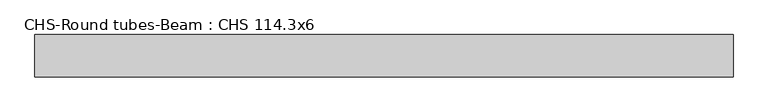
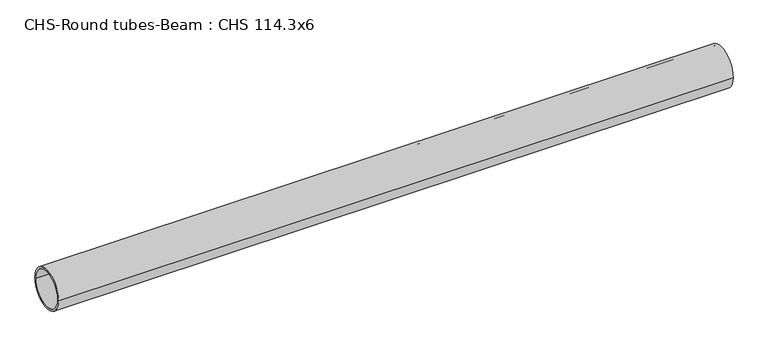
"""IFC4 building model written with IfcOpenShell, lengths in millimetres: beam geometry, CHS-Round tubes-Beam : CHS 114.3x6."""

import ifcopenshell
import ifcopenshell.guid

model = None  # the IFC model being written
_history = None  # IfcOwnerHistory: only IFC2X3 demands one
_inside = {}  # id of a spatial element -> (the spatial element, [elements in it])
_under = {}  # id of a project, library or spatial element -> (it, [spatial elements below it])
_declared = {}  # id of a project -> (the project, [libraries it declares])
_typed = {}  # id of a type object -> (the type object, [elements of that type])
_made_of = {}  # id of a material, layer set ... -> (it, [elements and type objects made of it])


def new_model(schema):
    """Start an empty IFC model of exactly this schema.

    Asked for "IFC4X3", IfcOpenShell would pick the latest addendum, in which some entities
    have other attributes; the version numbers below select the first issue.
    IFC2X3 requires an IfcOwnerHistory on every rooted entity: one is made here for all.
    """
    global model, _history
    if schema == "IFC4X3":
        model = ifcopenshell.file(schema_version=(4, 3, 0, 0))
    else:
        model = ifcopenshell.file(schema=schema)
    _inside.clear()
    _under.clear()
    _declared.clear()
    _typed.clear()
    _made_of.clear()
    _history = None
    if model.schema == "IFC2X3":
        org = make("IfcOrganization", Name="unknown")
        user = make(
            "IfcPersonAndOrganization",
            ThePerson=make("IfcPerson", FamilyName="unknown"),
            TheOrganization=org,
        )
        app = make(
            "IfcApplication",
            ApplicationDeveloper=org,
            Version="unknown",
            ApplicationFullName="unknown",
            ApplicationIdentifier="unknown",
        )
        _history = make(
            "IfcOwnerHistory",
            OwningUser=user,
            OwningApplication=app,
            ChangeAction="ADDED",
            CreationDate=0,
        )
    return model


def make(cls, **values):
    """One entity of the class cls with the attributes given. An attribute that is None is left unset."""
    return model.create_entity(
        cls, **{name: value for name, value in values.items() if value is not None}
    )


def rooted(cls, **values):
    """An entity with a GlobalId (a new one), such as an element, a storey or a relation."""
    return make(cls, GlobalId=ifcopenshell.guid.new(), OwnerHistory=_history, **values)


def si_unit(unit_type, name, prefix=None):
    """IfcSIUnit, for example si_unit("LENGTHUNIT", "METRE", prefix="MILLI")."""
    return make("IfcSIUnit", UnitType=unit_type, Prefix=prefix, Name=name)


def assignment(units):
    """IfcUnitAssignment: the units of a project."""
    return None if units is None else make("IfcUnitAssignment", Units=units)


def point(xyz):
    """IfcCartesianPoint."""
    return None if xyz is None else make("IfcCartesianPoint", Coordinates=xyz)


def direction(xyz):
    """IfcDirection."""
    return None if xyz is None else make("IfcDirection", DirectionRatios=xyz)


def frame(location, z_axis=None, x_axis=None):
    """IfcAxis2Placement3D, a coordinate frame: its origin and axes. An axis left out is left unset."""
    return make(
        "IfcAxis2Placement3D",
        Location=point(location),
        Axis=direction(z_axis),
        RefDirection=direction(x_axis),
    )


def frame_2d(location, x_axis=None):
    """IfcAxis2Placement2D, a coordinate frame in the plane: its origin and x axis."""
    return make(
        "IfcAxis2Placement2D", Location=point(location), RefDirection=direction(x_axis)
    )


def origin():
    """The frame at (0, 0, 0) with its axes left unset."""
    return frame((0.0, 0.0, 0.0))


def origin_2d():
    """The frame at (0, 0) in the plane with its x axis left unset."""
    return frame_2d((0.0, 0.0))


def place(relative_to, where):
    """IfcLocalPlacement: puts the frame where relative to a parent placement (None: the world)."""
    return make(
        "IfcLocalPlacement", PlacementRelTo=relative_to, RelativePlacement=where
    )


def context(
    kind, dimensions, precision=None, world=None, true_north=None, identifier=None
):
    """IfcGeometricRepresentationContext, for example the 3D "Model" context."""
    return make(
        "IfcGeometricRepresentationContext",
        ContextIdentifier=identifier,
        ContextType=kind,
        CoordinateSpaceDimension=dimensions,
        Precision=precision,
        WorldCoordinateSystem=world,
        TrueNorth=true_north,
    )


def project(units=None, contexts=None):
    """IfcProject with its units and contexts."""
    return rooted(
        "IfcProject",
        Name="project",
        RepresentationContexts=contexts,
        UnitsInContext=assignment(units),
    )


def spatial(cls, under=None, at=None, **own):
    """A site, building, storey or space (cls), placed at a placement, below another one or the project."""
    s = rooted(cls, ObjectPlacement=at, **own)
    if under is not None:
        _under.setdefault(under.id(), (under, []))[1].append(s)
    return s


def circle_curve(where, radius):
    """IfcCircle in the frame where."""
    return make("IfcCircle", Position=where, Radius=radius)


def trimmed(basis, trim1, trim2, sense, master):
    """IfcTrimmedCurve: the piece of a basis curve between two trims."""
    return make(
        "IfcTrimmedCurve",
        BasisCurve=basis,
        Trim1=trim1,
        Trim2=trim2,
        SenseAgreement=sense,
        MasterRepresentation=master,
    )


def segment(curve, same_sense, transition):
    """IfcCompositeCurveSegment."""
    return make(
        "IfcCompositeCurveSegment",
        Transition=transition,
        SameSense=same_sense,
        ParentCurve=curve,
    )


def composite_curve(segments, self_intersect=None):
    """IfcCompositeCurve: segments joined end to end."""
    return make("IfcCompositeCurve", Segments=segments, SelfIntersect=self_intersect)


def outline(outer, holes=None, kind="AREA"):
    """IfcArbitraryClosedProfileDef: a profile drawn as a closed curve; with holes, ...WithVoids."""
    if holes is None:
        return make("IfcArbitraryClosedProfileDef", ProfileType=kind, OuterCurve=outer)
    return make(
        "IfcArbitraryProfileDefWithVoids",
        ProfileType=kind,
        OuterCurve=outer,
        InnerCurves=holes,
    )


def extrude(swept, where, along, depth):
    """IfcExtrudedAreaSolid: the profile swept, set in the frame where, extruded along a direction by depth."""
    return make(
        "IfcExtrudedAreaSolid",
        SweptArea=swept,
        Position=where,
        ExtrudedDirection=direction(along),
        Depth=depth,
    )


def shape(context_of_items, identifier, shape_type, items):
    """IfcShapeRepresentation: the items that make up one representation, for example the "Body"."""
    return make(
        "IfcShapeRepresentation",
        ContextOfItems=context_of_items,
        RepresentationIdentifier=identifier,
        RepresentationType=shape_type,
        Items=items,
    )


def source(mapping_origin, context_of_items, identifier, shape_type, items):
    """IfcRepresentationMap: a shape defined once, which mapped items show again and again."""
    return make(
        "IfcRepresentationMap",
        MappingOrigin=mapping_origin,
        MappedRepresentation=shape(context_of_items, identifier, shape_type, items),
    )


def transform(
    local_origin,
    x_axis=None,
    y_axis=None,
    z_axis=None,
    scale=None,
    scale2=None,
    scale3=None,
    uniform=True,
):
    """IfcCartesianTransformationOperator3D, or its non-uniform kind. x_axis, y_axis, z_axis: its Axis1, 2, 3."""
    if uniform:
        return make(
            "IfcCartesianTransformationOperator3D",
            Axis1=direction(x_axis),
            Axis2=direction(y_axis),
            LocalOrigin=point(local_origin),
            Scale=scale,
            Axis3=direction(z_axis),
        )
    return make(
        "IfcCartesianTransformationOperator3DnonUniform",
        Axis1=direction(x_axis),
        Axis2=direction(y_axis),
        LocalOrigin=point(local_origin),
        Scale=scale,
        Axis3=direction(z_axis),
        Scale2=scale2,
        Scale3=scale3,
    )


def mapped(mapping_source, mapping_target):
    """IfcMappedItem: shows the shape of a source again, moved by a transform."""
    return make(
        "IfcMappedItem", MappingSource=mapping_source, MappingTarget=mapping_target
    )


def made_of(thing, what):
    """Note that an element or type object is made of a material, layer set ...; save() writes the relation."""
    if what is not None:
        _made_of.setdefault(what.id(), (what, []))[1].append(thing)
    return thing


def element(
    cls,
    number,
    at=None,
    inside=None,
    cuts=None,
    type_object=None,
    material=None,
    context=None,
    identifier="Body",
    shape_type=None,
    held_by="IfcProductDefinitionShape",
    body=None,
    shapes=None,
    **own,
):
    """One element of the class cls, such as IfcWall. Its Tag is "e" and its number.

    at: its placement. inside: the storey or other place that contains it. cuts: it is an
    opening in that element (IfcRelVoidsElement). A single representation is given by context,
    identifier, shape_type and body (its items); several are given by shapes. held_by: the class
    of the entity that holds the representations. save() writes the other relations.
    """
    e = rooted(cls, Tag="e%d" % number, ObjectPlacement=at, **own)
    if body is not None:
        shapes = [shape(context, identifier, shape_type, body)]
    if shapes is not None:
        e.Representation = make(held_by, Representations=shapes)
    if inside is not None:
        _inside.setdefault(inside.id(), (inside, []))[1].append(e)
    if cuts is not None:
        rooted(
            "IfcRelVoidsElement", RelatingBuildingElement=cuts, RelatedOpeningElement=e
        )
    if type_object is not None:
        _typed.setdefault(type_object.id(), (type_object, []))[1].append(e)
    return made_of(e, material)


def aggregate(whole, parts):
    """IfcRelAggregates: a whole, such as a stair, and the parts it consists of."""
    return rooted("IfcRelAggregates", RelatingObject=whole, RelatedObjects=parts)


def save(model, path):
    """Write the relations noted so far, then the file.

    IfcRelAggregates (storeys below a building ...), IfcRelContainedInSpatialStructure (elements
    in a storey), IfcRelDefinesByType, IfcRelAssociatesMaterial and IfcRelDeclares: one each for
    every whole, place, type object, material and project.
    """
    for whole, parts in _under.values():
        aggregate(whole, parts)
    for where, things in _inside.values():
        rooted(
            "IfcRelContainedInSpatialStructure",
            RelatedElements=things,
            RelatingStructure=where,
        )
    for kind, things in _typed.values():
        rooted("IfcRelDefinesByType", RelatedObjects=things, RelatingType=kind)
    for what, things in _made_of.values():
        rooted("IfcRelAssociatesMaterial", RelatedObjects=things, RelatingMaterial=what)
    for by, libraries in _declared.values():
        rooted("IfcRelDeclares", RelatingContext=by, RelatedDefinitions=libraries)
    model.write(path)


def chs_round_tubes_beam_chs_114_3x6_c7b4f3cb(model_context):
    return source(origin(), model_context, "Body", "SweptSolid", [
        extrude(outline(composite_curve([segment(trimmed(circle_curve(origin_2d(), 57.15), [point((57.15, 0.0))], [point((-57.15, 0.0))], False, "CARTESIAN"), True, "CONTINUOUS"), segment(trimmed(circle_curve(origin_2d(), 57.15), [point((-57.15, 0.0))], [point((57.15, 0.0))], False, "CARTESIAN"), True, "CONTINUOUS")], self_intersect=False), holes=[composite_curve([segment(trimmed(circle_curve(origin_2d(), 51.15), [point((51.15, 0.0))], [point((-51.15, 0.0))], True, "CARTESIAN"), True, "CONTINUOUS"), segment(trimmed(circle_curve(origin_2d(), 51.15), [point((-51.15, 0.0))], [point((51.15, 0.0))], True, "CARTESIAN"), True, "CONTINUOUS")], self_intersect=False)]), frame((-949.5942466, 0.0, 0.0), z_axis=(1.0, 0.0, 0.0), x_axis=(0.0, 1.0, 0.0)), (0.0, 0.0, 1.0), 1888.4403734),
    ])


if __name__ == "__main__":
    model = new_model("IFC4")
    model_context = context("Model", 3, world=origin())
    ifc_project = project(units=[si_unit("LENGTHUNIT", "METRE", prefix="MILLI")], contexts=[model_context])
    site = spatial("IfcSite", under=ifc_project)
    building = spatial("IfcBuilding", under=site)
    placement = place(None, origin())
    chs_round_tubes_beam_chs_114_3x6_shape = chs_round_tubes_beam_chs_114_3x6_c7b4f3cb(model_context)
    element("IfcBeam", 1, ObjectType="CHS-Round tubes-Beam : CHS 114.3x6", at=placement, inside=building, context=model_context, shape_type="MappedRepresentation", body=[
        mapped(chs_round_tubes_beam_chs_114_3x6_shape, transform((0.0, 0.0, 0.0), x_axis=(1.0, 0.0, 0.0), y_axis=(0.0, 1.0, 0.0), z_axis=(0.0, 0.0, 1.0))),
    ])
    save(model, "model.ifc")
